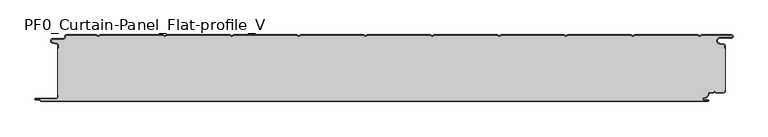
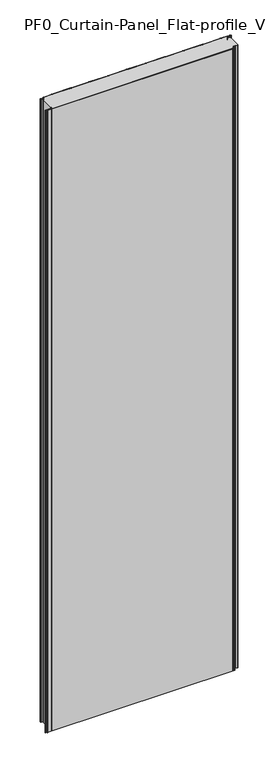
"""IFC4 building model written with IfcOpenShell, lengths in millimetres: plate geometry, PF0_Curtain-Panel_Flat-profile_V."""

import ifcopenshell
import ifcopenshell.guid

model = None  # the IFC model being written
_history = None  # IfcOwnerHistory: only IFC2X3 demands one
_inside = {}  # id of a spatial element -> (the spatial element, [elements in it])
_under = {}  # id of a project, library or spatial element -> (it, [spatial elements below it])
_declared = {}  # id of a project -> (the project, [libraries it declares])
_typed = {}  # id of a type object -> (the type object, [elements of that type])
_made_of = {}  # id of a material, layer set ... -> (it, [elements and type objects made of it])


def new_model(schema):
    """Start an empty IFC model of exactly this schema.

    Asked for "IFC4X3", IfcOpenShell would pick the latest addendum, in which some entities
    have other attributes; the version numbers below select the first issue.
    IFC2X3 requires an IfcOwnerHistory on every rooted entity: one is made here for all.
    """
    global model, _history
    if schema == "IFC4X3":
        model = ifcopenshell.file(schema_version=(4, 3, 0, 0))
    else:
        model = ifcopenshell.file(schema=schema)
    _inside.clear()
    _under.clear()
    _declared.clear()
    _typed.clear()
    _made_of.clear()
    _history = None
    if model.schema == "IFC2X3":
        org = make("IfcOrganization", Name="unknown")
        user = make(
            "IfcPersonAndOrganization",
            ThePerson=make("IfcPerson", FamilyName="unknown"),
            TheOrganization=org,
        )
        app = make(
            "IfcApplication",
            ApplicationDeveloper=org,
            Version="unknown",
            ApplicationFullName="unknown",
            ApplicationIdentifier="unknown",
        )
        _history = make(
            "IfcOwnerHistory",
            OwningUser=user,
            OwningApplication=app,
            ChangeAction="ADDED",
            CreationDate=0,
        )
    return model


def make(cls, **values):
    """One entity of the class cls with the attributes given. An attribute that is None is left unset."""
    return model.create_entity(
        cls, **{name: value for name, value in values.items() if value is not None}
    )


def rooted(cls, **values):
    """An entity with a GlobalId (a new one), such as an element, a storey or a relation."""
    return make(cls, GlobalId=ifcopenshell.guid.new(), OwnerHistory=_history, **values)


def si_unit(unit_type, name, prefix=None):
    """IfcSIUnit, for example si_unit("LENGTHUNIT", "METRE", prefix="MILLI")."""
    return make("IfcSIUnit", UnitType=unit_type, Prefix=prefix, Name=name)


def assignment(units):
    """IfcUnitAssignment: the units of a project."""
    return None if units is None else make("IfcUnitAssignment", Units=units)


def point(xyz):
    """IfcCartesianPoint."""
    return None if xyz is None else make("IfcCartesianPoint", Coordinates=xyz)


def direction(xyz):
    """IfcDirection."""
    return None if xyz is None else make("IfcDirection", DirectionRatios=xyz)


def frame(location, z_axis=None, x_axis=None):
    """IfcAxis2Placement3D, a coordinate frame: its origin and axes. An axis left out is left unset."""
    return make(
        "IfcAxis2Placement3D",
        Location=point(location),
        Axis=direction(z_axis),
        RefDirection=direction(x_axis),
    )


def frame_2d(location, x_axis=None):
    """IfcAxis2Placement2D, a coordinate frame in the plane: its origin and x axis."""
    return make(
        "IfcAxis2Placement2D", Location=point(location), RefDirection=direction(x_axis)
    )


def origin():
    """The frame at (0, 0, 0) with its axes left unset."""
    return frame((0.0, 0.0, 0.0))


def origin_with_axes():
    """The frame at (0, 0, 0) with the z axis (0, 0, 1) and the x axis (1, 0, 0) written out."""
    return frame((0.0, 0.0, 0.0), z_axis=(0.0, 0.0, 1.0), x_axis=(1.0, 0.0, 0.0))


def place(relative_to, where):
    """IfcLocalPlacement: puts the frame where relative to a parent placement (None: the world)."""
    return make(
        "IfcLocalPlacement", PlacementRelTo=relative_to, RelativePlacement=where
    )


def context(
    kind, dimensions, precision=None, world=None, true_north=None, identifier=None
):
    """IfcGeometricRepresentationContext, for example the 3D "Model" context."""
    return make(
        "IfcGeometricRepresentationContext",
        ContextIdentifier=identifier,
        ContextType=kind,
        CoordinateSpaceDimension=dimensions,
        Precision=precision,
        WorldCoordinateSystem=world,
        TrueNorth=true_north,
    )


def project(units=None, contexts=None):
    """IfcProject with its units and contexts."""
    return rooted(
        "IfcProject",
        Name="project",
        RepresentationContexts=contexts,
        UnitsInContext=assignment(units),
    )


def spatial(cls, under=None, at=None, **own):
    """A site, building, storey or space (cls), placed at a placement, below another one or the project."""
    s = rooted(cls, ObjectPlacement=at, **own)
    if under is not None:
        _under.setdefault(under.id(), (under, []))[1].append(s)
    return s


def polyline(points):
    """IfcPolyline through the points."""
    return make("IfcPolyline", Points=[point(p) for p in points])


def circle_curve(where, radius):
    """IfcCircle in the frame where."""
    return make("IfcCircle", Position=where, Radius=radius)


def trimmed(basis, trim1, trim2, sense, master):
    """IfcTrimmedCurve: the piece of a basis curve between two trims."""
    return make(
        "IfcTrimmedCurve",
        BasisCurve=basis,
        Trim1=trim1,
        Trim2=trim2,
        SenseAgreement=sense,
        MasterRepresentation=master,
    )


def segment(curve, same_sense, transition):
    """IfcCompositeCurveSegment."""
    return make(
        "IfcCompositeCurveSegment",
        Transition=transition,
        SameSense=same_sense,
        ParentCurve=curve,
    )


def composite_curve(segments, self_intersect=None):
    """IfcCompositeCurve: segments joined end to end."""
    return make("IfcCompositeCurve", Segments=segments, SelfIntersect=self_intersect)


def outline(outer, holes=None, kind="AREA"):
    """IfcArbitraryClosedProfileDef: a profile drawn as a closed curve; with holes, ...WithVoids."""
    if holes is None:
        return make("IfcArbitraryClosedProfileDef", ProfileType=kind, OuterCurve=outer)
    return make(
        "IfcArbitraryProfileDefWithVoids",
        ProfileType=kind,
        OuterCurve=outer,
        InnerCurves=holes,
    )


def extrude(swept, where, along, depth):
    """IfcExtrudedAreaSolid: the profile swept, set in the frame where, extruded along a direction by depth."""
    return make(
        "IfcExtrudedAreaSolid",
        SweptArea=swept,
        Position=where,
        ExtrudedDirection=direction(along),
        Depth=depth,
    )


def shape(context_of_items, identifier, shape_type, items):
    """IfcShapeRepresentation: the items that make up one representation, for example the "Body"."""
    return make(
        "IfcShapeRepresentation",
        ContextOfItems=context_of_items,
        RepresentationIdentifier=identifier,
        RepresentationType=shape_type,
        Items=items,
    )


def source(mapping_origin, context_of_items, identifier, shape_type, items):
    """IfcRepresentationMap: a shape defined once, which mapped items show again and again."""
    return make(
        "IfcRepresentationMap",
        MappingOrigin=mapping_origin,
        MappedRepresentation=shape(context_of_items, identifier, shape_type, items),
    )


def transform(
    local_origin,
    x_axis=None,
    y_axis=None,
    z_axis=None,
    scale=None,
    scale2=None,
    scale3=None,
    uniform=True,
):
    """IfcCartesianTransformationOperator3D, or its non-uniform kind. x_axis, y_axis, z_axis: its Axis1, 2, 3."""
    if uniform:
        return make(
            "IfcCartesianTransformationOperator3D",
            Axis1=direction(x_axis),
            Axis2=direction(y_axis),
            LocalOrigin=point(local_origin),
            Scale=scale,
            Axis3=direction(z_axis),
        )
    return make(
        "IfcCartesianTransformationOperator3DnonUniform",
        Axis1=direction(x_axis),
        Axis2=direction(y_axis),
        LocalOrigin=point(local_origin),
        Scale=scale,
        Axis3=direction(z_axis),
        Scale2=scale2,
        Scale3=scale3,
    )


def mapped(mapping_source, mapping_target):
    """IfcMappedItem: shows the shape of a source again, moved by a transform."""
    return make(
        "IfcMappedItem", MappingSource=mapping_source, MappingTarget=mapping_target
    )


def made_of(thing, what):
    """Note that an element or type object is made of a material, layer set ...; save() writes the relation."""
    if what is not None:
        _made_of.setdefault(what.id(), (what, []))[1].append(thing)
    return thing


def element(
    cls,
    number,
    at=None,
    inside=None,
    cuts=None,
    type_object=None,
    material=None,
    context=None,
    identifier="Body",
    shape_type=None,
    held_by="IfcProductDefinitionShape",
    body=None,
    shapes=None,
    **own,
):
    """One element of the class cls, such as IfcWall. Its Tag is "e" and its number.

    at: its placement. inside: the storey or other place that contains it. cuts: it is an
    opening in that element (IfcRelVoidsElement). A single representation is given by context,
    identifier, shape_type and body (its items); several are given by shapes. held_by: the class
    of the entity that holds the representations. save() writes the other relations.
    """
    e = rooted(cls, Tag="e%d" % number, ObjectPlacement=at, **own)
    if body is not None:
        shapes = [shape(context, identifier, shape_type, body)]
    if shapes is not None:
        e.Representation = make(held_by, Representations=shapes)
    if inside is not None:
        _inside.setdefault(inside.id(), (inside, []))[1].append(e)
    if cuts is not None:
        rooted(
            "IfcRelVoidsElement", RelatingBuildingElement=cuts, RelatedOpeningElement=e
        )
    if type_object is not None:
        _typed.setdefault(type_object.id(), (type_object, []))[1].append(e)
    return made_of(e, material)


def aggregate(whole, parts):
    """IfcRelAggregates: a whole, such as a stair, and the parts it consists of."""
    return rooted("IfcRelAggregates", RelatingObject=whole, RelatedObjects=parts)


def save(model, path):
    """Write the relations noted so far, then the file.

    IfcRelAggregates (storeys below a building ...), IfcRelContainedInSpatialStructure (elements
    in a storey), IfcRelDefinesByType, IfcRelAssociatesMaterial and IfcRelDeclares: one each for
    every whole, place, type object, material and project.
    """
    for whole, parts in _under.values():
        aggregate(whole, parts)
    for where, things in _inside.values():
        rooted(
            "IfcRelContainedInSpatialStructure",
            RelatedElements=things,
            RelatingStructure=where,
        )
    for kind, things in _typed.values():
        rooted("IfcRelDefinesByType", RelatedObjects=things, RelatingType=kind)
    for what, things in _made_of.values():
        rooted("IfcRelAssociatesMaterial", RelatedObjects=things, RelatingMaterial=what)
    for by, libraries in _declared.values():
        rooted("IfcRelDeclares", RelatingContext=by, RelatedDefinitions=libraries)
    model.write(path)


def plane_surface(at):
    """IfcPlane: the flat surface through the origin of the frame at, square to its z axis."""
    return make("IfcPlane", Position=at)


def cylinder_surface(at, radius):
    """IfcCylindricalSurface: all points at the distance radius from the z axis of the frame at."""
    return make("IfcCylindricalSurface", Position=at, Radius=radius)


def revolved_surface(curve, axis_point, axis_direction):
    """IfcSurfaceOfRevolution: the curve turned about the line through axis_point along axis_direction."""
    return make(
        "IfcSurfaceOfRevolution",
        SweptCurve=make("IfcArbitraryOpenProfileDef", ProfileType="CURVE", Curve=curve),
        AxisPosition=make("IfcAxis1Placement", Location=point(axis_point), Axis=direction(axis_direction)),
    )


def advanced_brep(points, edges, surfaces, faces):
    """IfcAdvancedBrep: a solid bounded by faces that lie on surfaces and meet in shared edges.

    An edge is (start, end): straight between two places in points (the first is 0);
    or (start, end, curve); or (start, end, curve, False) where it runs against its curve.
    A face is (place in surfaces, loops), or (place, loops, False) where it looks against
    its surface's normal. A loop lists edges by number (the first is 1), with a minus sign
    where the edge is run from its end to its start. The first loop is the outer one.
    """
    corners = [point(p) for p in points]
    vertices = [make("IfcVertexPoint", VertexGeometry=c) for c in corners]
    made = []
    for start, end, *more in edges:
        made.append(
            make(
                "IfcEdgeCurve",
                EdgeStart=vertices[start],
                EdgeEnd=vertices[end],
                EdgeGeometry=more[0] if more else make("IfcPolyline", Points=[corners[start], corners[end]]),
                SameSense=more[1] if len(more) > 1 else True,
            )
        )
    hull = []
    for where, loops, *sense in faces:
        bounds = []
        for j, loop in enumerate(loops):
            ring = [make("IfcOrientedEdge", EdgeElement=made[abs(k) - 1], Orientation=k > 0) for k in loop]
            bounds.append(
                make(
                    "IfcFaceOuterBound" if j == 0 else "IfcFaceBound",
                    Bound=make("IfcEdgeLoop", EdgeList=ring),
                    Orientation=True,
                )
            )
        hull.append(make("IfcAdvancedFace", Bounds=bounds, FaceSurface=surfaces[where], SameSense=sense[0] if sense else True))
    return make("IfcAdvancedBrep", Outer=make("IfcClosedShell", CfsFaces=hull))


def pf0_curtain_panel_flat_profile_v_2d667db1(model_context):
    return source(origin(), model_context, "Body", "SolidModel", [
        advanced_brep(
        [(-500.0, -15.878557, 3500.0), (-500.0, -20.0, 3500.0), (-499.2, -20.0, 3500.0), (-499.2, -15.878557, 3500.0), (-501.370137, -13.1503208, 3500.0), (-507.529863, -11.728236, 3500.0), (-506.9, -6.2, 3500.0), (-491.4, -6.2, 3500.0), (-488.6, -3.4, 3500.0), (-488.6, -2.0, 3500.0), (-487.4, -0.8, 3500.0), (-442.3143588, -0.8, 3500.0), (-439.4, -2.482606, 3500.0), (-436.4856412, -0.8, 3500.0), (-342.3143588, -0.8, 3500.0), (-339.4, -2.482606, 3500.0), (-336.4856412, -0.8, 3500.0), (-242.3143588, -0.8, 3500.0), (-239.4, -2.482606, 3500.0), (-236.4856412, -0.8, 3500.0), (-142.3143588, -0.8, 3500.0), (-139.4, -2.482606, 3500.0), (-136.4856412, -0.8, 3500.0), (-42.3143588, -0.8, 3500.0), (-39.4, -2.482606, 3500.0), (-36.4856412, -0.8, 3500.0), (57.6856412, -0.8, 3500.0), (60.6, -2.482606, 3500.0), (63.5143588, -0.8, 3500.0), (157.6856412, -0.8, 3500.0), (160.6, -2.482606, 3500.0), (163.5143588, -0.8, 3500.0), (257.6856412, -0.8, 3500.0), (260.6, -2.482606, 3500.0), (263.5143588, -0.8, 3500.0), (357.6856412, -0.8, 3500.0), (360.6, -2.482606, 3500.0), (363.5143588, -0.8, 3500.0), (457.6856412, -0.8, 3500.0), (460.6, -2.482606, 3500.0), (463.5143588, -0.8, 3500.0), (508.1, -0.8, 3500.0), (508.1, -4.2, 3500.0), (491.1, -4.2, 3500.0), (490.2664884, -13.7270771, 3500.0), (496.7125669, -14.8636953, 3500.0), (498.2, -16.6363492, 3500.0), (498.2, -20.0, 3500.0), (499.0, -20.0, 3500.0), (499.0, -16.6363492, 3500.0), (496.8514855, -14.0758491, 3500.0), (490.405407, -12.939231, 3500.0), (491.1, -5.0, 3500.0), (508.1, -5.0, 3500.0), (510.6, -2.5, 3500.0), (508.1, 0.0, 3500.0), (463.2999995, 0.0, 3500.0), (460.6, -1.5588455, 3500.0), (457.9000005, 0.0, 3500.0), (363.2999995, 0.0, 3500.0), (360.6, -1.5588455, 3500.0), (357.9000005, 0.0, 3500.0), (263.2999995, 0.0, 3500.0), (260.6, -1.5588455, 3500.0), (257.9000005, 0.0, 3500.0), (163.2999995, 0.0, 3500.0), (160.6, -1.5588455, 3500.0), (157.9000005, 0.0, 3500.0), (63.2999995, 0.0, 3500.0), (60.6, -1.5588455, 3500.0), (57.9000005, 0.0, 3500.0), (-36.7000005, 0.0, 3500.0), (-39.4, -1.5588455, 3500.0), (-42.0999995, 0.0, 3500.0), (-136.7000005, 0.0, 3500.0), (-139.4, -1.5588455, 3500.0), (-142.0999995, 0.0, 3500.0), (-236.7000005, 0.0, 3500.0), (-239.4, -1.5588455, 3500.0), (-242.0999995, 0.0, 3500.0), (-336.7000005, 0.0, 3500.0), (-339.4, -1.5588455, 3500.0), (-342.0999995, 0.0, 3500.0), (-436.7000005, 0.0, 3500.0), (-439.4, -1.5588455, 3500.0), (-442.0999995, 0.0, 3500.0), (-487.4, 0.0, 3500.0), (-489.4, -2.0, 3500.0), (-489.4, -3.4, 3500.0), (-491.4, -5.4, 3500.0), (-506.9, -5.4, 3500.0), (-507.7098239, -12.5077322, 3500.0), (-501.5500979, -13.929817, 3500.0), (-500.0, -15.878557, 0.0), (-501.5500978, -13.9298169, 0.0), (-507.7098239, -12.507732, 0.0), (-506.9, -5.4, 0.0), (-491.4, -5.4, 0.0), (-489.4, -3.4, 0.0), (-489.4, -2.0, 0.0), (-487.4, 0.0, 0.0), (-442.0999995, 0.0, 0.0), (-439.4, -1.5588455, 0.0), (-436.7000005, 0.0, 0.0), (-342.0999995, 0.0, 0.0), (-339.4, -1.5588455, 0.0), (-336.7000005, 0.0, 0.0), (-242.0999995, 0.0, 0.0), (-239.4, -1.5588455, 0.0), (-236.7000005, 0.0, 0.0), (-142.0999995, 0.0, 0.0), (-139.4, -1.5588455, 0.0), (-136.7000005, 0.0, 0.0), (-42.0999995, 0.0, 0.0), (-39.4, -1.5588455, 0.0), (-36.7000005, 0.0, 0.0), (57.9000005, 0.0, 0.0), (60.6, -1.5588455, 0.0), (63.2999995, 0.0, 0.0), (157.9000005, 0.0, 0.0), (160.6, -1.5588455, 0.0), (163.2999995, 0.0, 0.0), (257.9000005, 0.0, 0.0), (260.6, -1.5588455, 0.0), (263.2999995, 0.0, 0.0), (357.9000005, 0.0, 0.0), (360.6, -1.5588455, 0.0), (363.2999995, 0.0, 0.0), (457.9000005, 0.0, 0.0), (460.6, -1.5588455, 0.0), (463.2999995, 0.0, 0.0), (508.1, 0.0, 0.0), (510.6, -2.5, 0.0), (508.1, -5.0, 0.0), (491.1, -5.0, 0.0), (490.405407, -12.939231, 0.0), (496.8514855, -14.0758491, 0.0), (499.0, -16.6363492, 0.0), (499.0, -20.0, 0.0), (498.2, -20.0, 0.0), (498.2, -16.6363492, 0.0), (496.7125669, -14.8636953, 0.0), (490.2664884, -13.7270772, 0.0), (491.1, -4.2, 0.0), (508.1, -4.2, 0.0), (508.1, -0.8, 0.0), (463.5143588, -0.8, 0.0), (460.6, -2.482606, 0.0), (457.6856412, -0.8, 0.0), (363.5143588, -0.8, 0.0), (360.6, -2.482606, 0.0), (357.6856412, -0.8, 0.0), (263.5143588, -0.8, 0.0), (260.6, -2.482606, 0.0), (257.6856412, -0.8, 0.0), (163.5143588, -0.8, 0.0), (160.6, -2.482606, 0.0), (157.6856412, -0.8, 0.0), (63.5143588, -0.8, 0.0), (60.6, -2.482606, 0.0), (57.6856412, -0.8, 0.0), (-36.4856412, -0.8, 0.0), (-39.4, -2.482606, 0.0), (-42.3143588, -0.8, 0.0), (-136.4856412, -0.8, 0.0), (-139.4, -2.482606, 0.0), (-142.3143588, -0.8, 0.0), (-236.4856412, -0.8, 0.0), (-239.4, -2.482606, 0.0), (-242.3143588, -0.8, 0.0), (-336.4856412, -0.8, 0.0), (-339.4, -2.482606, 0.0), (-342.3143588, -0.8, 0.0), (-436.4856412, -0.8, 0.0), (-439.4, -2.482606, 0.0), (-442.3143588, -0.8, 0.0), (-487.4, -0.8, 0.0), (-488.6, -2.0, 0.0), (-488.6, -3.4, 0.0), (-491.4, -6.2, 0.0), (-506.9, -6.2, 0.0), (-507.529863, -11.7282362, 0.0), (-501.370137, -13.150321, 0.0), (-499.2, -15.878557, 0.0), (-499.2, -20.0, 0.0), (-500.0, -20.0, 0.0)],
        [
            (0, 1),
            (1, 2),
            (2, 3),
            (3, 4, circle_curve(frame((-502.0, -15.878557, 3500.0), z_axis=(0.0, 0.0, 1.0), x_axis=(1.0, 0.0, 0.0)), 2.8)),
            (4, 5),
            (5, 6, circle_curve(frame((-506.9, -9.0, 3500.0), z_axis=(0.0, 0.0, -1.0), x_axis=(1.0, 0.0, 0.0)), 2.8)),
            (6, 7),
            (7, 8, circle_curve(frame((-491.4, -3.4, 3500.0), z_axis=(0.0, 0.0, 1.0), x_axis=(1.0, 0.0, 0.0)), 2.8)),
            (8, 9),
            (9, 10, circle_curve(frame((-487.4, -2.0, 3500.0), z_axis=(0.0, 0.0, -1.0), x_axis=(1.0, 0.0, 0.0)), 1.2)),
            (10, 11),
            (11, 12),
            (12, 13),
            (13, 14),
            (14, 15),
            (15, 16),
            (16, 17),
            (17, 18),
            (18, 19),
            (19, 20),
            (20, 21),
            (21, 22),
            (22, 23),
            (23, 24),
            (24, 25),
            (25, 26),
            (26, 27),
            (27, 28),
            (28, 29),
            (29, 30),
            (30, 31),
            (31, 32),
            (32, 33),
            (33, 34),
            (34, 35),
            (35, 36),
            (36, 37),
            (37, 38),
            (38, 39),
            (39, 40),
            (40, 41),
            (41, 42, circle_curve(frame((508.1, -2.5, 3500.0), z_axis=(0.0, 0.0, -1.0), x_axis=(1.0, 0.0, 0.0)), 1.7)),
            (42, 43),
            (43, 44, circle_curve(frame((491.1, -9.0, 3500.0), z_axis=(0.0, 0.0, 1.0), x_axis=(1.0, 0.0, 0.0)), 4.8)),
            (44, 45),
            (45, 46, circle_curve(frame((496.4, -16.6363492, 3500.0), z_axis=(0.0, 0.0, -1.0), x_axis=(1.0, 0.0, 0.0)), 1.8)),
            (46, 47),
            (47, 48),
            (48, 49),
            (49, 50, circle_curve(frame((496.4, -16.6363492, 3500.0), z_axis=(0.0, 0.0, 1.0), x_axis=(1.0, 0.0, 0.0)), 2.6)),
            (50, 51),
            (51, 52, circle_curve(frame((491.1, -9.0, 3500.0), z_axis=(0.0, 0.0, -1.0), x_axis=(1.0, 0.0, 0.0)), 4.0)),
            (52, 53),
            (53, 54, circle_curve(frame((508.1, -2.5, 3500.0), z_axis=(0.0, 0.0, 1.0), x_axis=(1.0, 0.0, 0.0)), 2.5)),
            (54, 55, circle_curve(frame((508.1, -2.5, 3500.0), z_axis=(0.0, 0.0, 1.0), x_axis=(1.0, 0.0, 0.0)), 2.5)),
            (55, 56),
            (56, 57),
            (57, 58),
            (58, 59),
            (59, 60),
            (60, 61),
            (61, 62),
            (62, 63),
            (63, 64),
            (64, 65),
            (65, 66),
            (66, 67),
            (67, 68),
            (68, 69),
            (69, 70),
            (70, 71),
            (71, 72),
            (72, 73),
            (73, 74),
            (74, 75),
            (75, 76),
            (76, 77),
            (77, 78),
            (78, 79),
            (79, 80),
            (80, 81),
            (81, 82),
            (82, 83),
            (83, 84),
            (84, 85),
            (85, 86),
            (86, 87, circle_curve(frame((-487.4, -2.0, 3500.0), z_axis=(0.0, 0.0, 1.0), x_axis=(1.0, 0.0, 0.0)), 2.0)),
            (87, 88),
            (88, 89, circle_curve(frame((-491.4, -3.4, 3500.0), z_axis=(0.0, 0.0, -1.0), x_axis=(1.0, 0.0, 0.0)), 2.0)),
            (89, 90),
            (90, 91, circle_curve(frame((-506.9, -9.0, 3500.0), z_axis=(0.0, 0.0, 1.0), x_axis=(1.0, 0.0, 0.0)), 3.6)),
            (91, 92),
            (92, 0, circle_curve(frame((-502.0, -15.878557, 3500.0), z_axis=(0.0, 0.0, -1.0), x_axis=(1.0, 0.0, 0.0)), 2.0)),
            (93, 94, circle_curve(frame((-502.0, -15.878557, 0.0), z_axis=(0.0, 0.0, 1.0), x_axis=(1.0, 0.0, 0.0)), 2.0)),
            (94, 95),
            (95, 96, circle_curve(frame((-506.9, -9.0, 0.0), z_axis=(0.0, 0.0, -1.0), x_axis=(1.0, 0.0, 0.0)), 3.6)),
            (96, 97),
            (97, 98, circle_curve(frame((-491.4, -3.4, 0.0), z_axis=(0.0, 0.0, 1.0), x_axis=(1.0, 0.0, 0.0)), 2.0)),
            (98, 99),
            (99, 100, circle_curve(frame((-487.4, -2.0, 0.0), z_axis=(0.0, 0.0, -1.0), x_axis=(1.0, 0.0, 0.0)), 2.0)),
            (100, 101),
            (101, 102),
            (102, 103),
            (103, 104),
            (104, 105),
            (105, 106),
            (106, 107),
            (107, 108),
            (108, 109),
            (109, 110),
            (110, 111),
            (111, 112),
            (112, 113),
            (113, 114),
            (114, 115),
            (115, 116),
            (116, 117),
            (117, 118),
            (118, 119),
            (119, 120),
            (120, 121),
            (121, 122),
            (122, 123),
            (123, 124),
            (124, 125),
            (125, 126),
            (126, 127),
            (127, 128),
            (128, 129),
            (129, 130),
            (130, 131),
            (131, 132, circle_curve(frame((508.1, -2.5, 0.0), z_axis=(0.0, 0.0, -1.0), x_axis=(1.0, 0.0, 0.0)), 2.5)),
            (132, 133, circle_curve(frame((508.1, -2.5, 0.0), z_axis=(0.0, 0.0, -1.0), x_axis=(1.0, 0.0, 0.0)), 2.5)),
            (133, 134),
            (134, 135, circle_curve(frame((491.1, -9.0, 0.0), z_axis=(0.0, 0.0, 1.0), x_axis=(1.0, 0.0, 0.0)), 4.0)),
            (135, 136),
            (136, 137, circle_curve(frame((496.4, -16.6363492, 0.0), z_axis=(0.0, 0.0, -1.0), x_axis=(1.0, 0.0, 0.0)), 2.6)),
            (137, 138),
            (138, 139),
            (139, 140),
            (140, 141, circle_curve(frame((496.4, -16.6363492, 0.0), z_axis=(0.0, 0.0, 1.0), x_axis=(1.0, 0.0, 0.0)), 1.8)),
            (141, 142),
            (142, 143, circle_curve(frame((491.1, -9.0, 0.0), z_axis=(0.0, 0.0, -1.0), x_axis=(1.0, 0.0, 0.0)), 4.8)),
            (143, 144),
            (144, 145, circle_curve(frame((508.1, -2.5, 0.0), z_axis=(0.0, 0.0, 1.0), x_axis=(1.0, 0.0, 0.0)), 1.7)),
            (145, 146),
            (146, 147),
            (147, 148),
            (148, 149),
            (149, 150),
            (150, 151),
            (151, 152),
            (152, 153),
            (153, 154),
            (154, 155),
            (155, 156),
            (156, 157),
            (157, 158),
            (158, 159),
            (159, 160),
            (160, 161),
            (161, 162),
            (162, 163),
            (163, 164),
            (164, 165),
            (165, 166),
            (166, 167),
            (167, 168),
            (168, 169),
            (169, 170),
            (170, 171),
            (171, 172),
            (172, 173),
            (173, 174),
            (174, 175),
            (175, 176),
            (176, 177, circle_curve(frame((-487.4, -2.0, 0.0), z_axis=(0.0, 0.0, 1.0), x_axis=(1.0, 0.0, 0.0)), 1.2)),
            (177, 178),
            (178, 179, circle_curve(frame((-491.4, -3.4, 0.0), z_axis=(0.0, 0.0, -1.0), x_axis=(1.0, 0.0, 0.0)), 2.8)),
            (179, 180),
            (180, 181, circle_curve(frame((-506.9, -9.0, 0.0), z_axis=(0.0, 0.0, 1.0), x_axis=(1.0, 0.0, 0.0)), 2.8)),
            (181, 182),
            (182, 183, circle_curve(frame((-502.0, -15.878557, 0.0), z_axis=(0.0, 0.0, -1.0), x_axis=(1.0, 0.0, 0.0)), 2.8)),
            (183, 184),
            (184, 185),
            (185, 93),
            (0, 93),
            (185, 1),
            (184, 2),
            (183, 3),
            (182, 4),
            (181, 5),
            (180, 6),
            (179, 7),
            (178, 8),
            (177, 9),
            (176, 10),
            (175, 11),
            (174, 12),
            (173, 13),
            (172, 14),
            (171, 15),
            (170, 16),
            (169, 17),
            (168, 18),
            (167, 19),
            (166, 20),
            (165, 21),
            (164, 22),
            (163, 23),
            (162, 24),
            (161, 25),
            (160, 26),
            (159, 27),
            (158, 28),
            (157, 29),
            (156, 30),
            (155, 31),
            (154, 32),
            (153, 33),
            (152, 34),
            (151, 35),
            (150, 36),
            (149, 37),
            (148, 38),
            (147, 39),
            (146, 40),
            (145, 41),
            (144, 42),
            (143, 43),
            (142, 44),
            (141, 45),
            (140, 46),
            (139, 47),
            (138, 48),
            (137, 49),
            (136, 50),
            (135, 51),
            (134, 52),
            (133, 53),
            (131, 55),
            (56, 130),
            (129, 57),
            (128, 58),
            (127, 59),
            (126, 60),
            (125, 61),
            (124, 62),
            (123, 63),
            (122, 64),
            (121, 65),
            (120, 66),
            (119, 67),
            (118, 68),
            (117, 69),
            (116, 70),
            (115, 71),
            (114, 72),
            (113, 73),
            (112, 74),
            (111, 75),
            (110, 76),
            (109, 77),
            (108, 78),
            (107, 79),
            (106, 80),
            (105, 81),
            (104, 82),
            (103, 83),
            (102, 84),
            (101, 85),
            (100, 86),
            (99, 87),
            (98, 88),
            (97, 89),
            (96, 90),
            (95, 91),
            (94, 92),
        ],
        [
            plane_surface(frame((-500.0, 0.0, 3500.0), z_axis=(0.0, 0.0, 1.0), x_axis=(0.0, 1.0, 0.0))),
            plane_surface(frame((-500.0, 0.0, 0.0), z_axis=(0.0, 0.0, -1.0), x_axis=(0.0, 1.0, 0.0))),
            plane_surface(frame((-500.0, -15.878557, 3500.0), z_axis=(-1.0, 0.0, 0.0), x_axis=(0.0, 0.0, -1.0))),
            plane_surface(frame((-500.0, -20.0, 3500.0), z_axis=(0.0, -1.0, 0.0), x_axis=(0.0, 0.0, -1.0))),
            plane_surface(frame((-499.2, -20.0, 3500.0), z_axis=(1.0, 0.0, 0.0), x_axis=(0.0, 0.0, -1.0))),
            cylinder_surface(frame((-502.0, -15.878557, 3500.0), z_axis=(0.0, 0.0, 1.0), x_axis=(1.0, 0.0, 0.0)), 2.8),
            plane_surface(frame((-501.370137, -13.150321, 3500.0), z_axis=(0.22495108446242484, 0.9743700578318174, 0.0), x_axis=(0.0, 0.0, -1.0))),
            revolved_surface(polyline([(-504.09999999999997, -9.0, 0.0), (-504.09999999999997, -9.0, 3500.0)]), (-506.9, -9.0, 3500.0), (0.0, 0.0, -1.0)),
            plane_surface(frame((-506.9, -6.2, 3500.0), z_axis=(0.0, -1.0, 0.0), x_axis=(0.0, 0.0, -1.0))),
            cylinder_surface(frame((-491.4, -3.4, 3500.0), z_axis=(0.0, 0.0, 1.0), x_axis=(1.0, 0.0, 0.0)), 2.8),
            plane_surface(frame((-488.6, -3.4, 3500.0), z_axis=(1.0, 0.0, 0.0), x_axis=(0.0, 0.0, -1.0))),
            revolved_surface(polyline([(-486.2, -2.0, 0.0), (-486.2, -2.0, 3500.0)]), (-487.4, -2.0, 3500.0), (0.0, 0.0, -1.0)),
            plane_surface(frame((-487.4, -0.8, 3500.0), z_axis=(0.0, -1.0, 0.0), x_axis=(0.0, 0.0, -1.0))),
            plane_surface(frame((-442.3143588, -0.8, 3500.0), z_axis=(-0.5000000299313342, -0.8660253865035741, 0.0), x_axis=(0.0, 0.0, -1.0))),
            plane_surface(frame((-439.4, -2.482606, 3500.0), z_axis=(0.5000000299313233, -0.8660253865035805, 0.0), x_axis=(0.0, 0.0, -1.0))),
            plane_surface(frame((-436.4856412, -0.8, 3500.0), z_axis=(0.0, -1.0, 0.0), x_axis=(0.0, 0.0, -1.0))),
            plane_surface(frame((-342.3143588, -0.8, 3500.0), z_axis=(-0.5000000299313346, -0.8660253865035739, 0.0), x_axis=(0.0, 0.0, -1.0))),
            plane_surface(frame((-339.4, -2.482606, 3500.0), z_axis=(0.5000000299313251, -0.8660253865035794, 0.0), x_axis=(0.0, 0.0, -1.0))),
            plane_surface(frame((-336.4856412, -0.8, 3500.0), z_axis=(0.0, -1.0, 0.0), x_axis=(0.0, 0.0, -1.0))),
            plane_surface(frame((-242.3143588, -0.8, 3500.0), z_axis=(-0.5000000299313346, -0.866025386503574, 0.0), x_axis=(0.0, 0.0, -1.0))),
            plane_surface(frame((-239.4, -2.482606, 3500.0), z_axis=(0.5000000299313251, -0.8660253865035794, 0.0), x_axis=(0.0, 0.0, -1.0))),
            plane_surface(frame((-236.4856412, -0.8, 3500.0), z_axis=(0.0, -1.0, 0.0), x_axis=(0.0, 0.0, -1.0))),
            plane_surface(frame((-142.3143588, -0.8, 3500.0), z_axis=(-0.5000000299313349, -0.8660253865035739, 0.0), x_axis=(0.0, 0.0, -1.0))),
            plane_surface(frame((-139.4, -2.482606, 3500.0), z_axis=(0.5000000299313233, -0.8660253865035805, 0.0), x_axis=(0.0, 0.0, -1.0))),
            plane_surface(frame((-136.4856412, -0.8, 3500.0), z_axis=(0.0, -1.0, 0.0), x_axis=(0.0, 0.0, -1.0))),
            plane_surface(frame((-42.3143588, -0.8, 3500.0), z_axis=(-0.5000000299313346, -0.866025386503574, 0.0), x_axis=(0.0, 0.0, -1.0))),
            plane_surface(frame((-39.4, -2.482606, 3500.0), z_axis=(0.5000000299313239, -0.8660253865035802, 0.0), x_axis=(0.0, 0.0, -1.0))),
            plane_surface(frame((-36.4856412, -0.8, 3500.0), z_axis=(0.0, -1.0, 0.0), x_axis=(0.0, 0.0, -1.0))),
            plane_surface(frame((57.6856412, -0.8, 3500.0), z_axis=(-0.5000000299313347, -0.8660253865035739, 0.0), x_axis=(0.0, 0.0, -1.0))),
            plane_surface(frame((60.6, -2.482606, 3500.0), z_axis=(0.5000000299313232, -0.8660253865035805, 0.0), x_axis=(0.0, 0.0, -1.0))),
            plane_surface(frame((63.5143588, -0.8, 3500.0), z_axis=(0.0, -1.0, 0.0), x_axis=(0.0, 0.0, -1.0))),
            plane_surface(frame((157.6856412, -0.8, 3500.0), z_axis=(-0.5000000299313346, -0.866025386503574, 0.0), x_axis=(0.0, 0.0, -1.0))),
            plane_surface(frame((160.6, -2.482606, 3500.0), z_axis=(0.5000000299313262, -0.8660253865035787, 0.0), x_axis=(0.0, 0.0, -1.0))),
            plane_surface(frame((163.5143588, -0.8, 3500.0), z_axis=(0.0, -1.0, 0.0), x_axis=(0.0, 0.0, -1.0))),
            plane_surface(frame((257.6856412, -0.8, 3500.0), z_axis=(-0.5000000299313346, -0.8660253865035739, 0.0), x_axis=(0.0, 0.0, -1.0))),
            plane_surface(frame((260.6, -2.482606, 3500.0), z_axis=(0.5000000299313263, -0.8660253865035787, 0.0), x_axis=(0.0, 0.0, -1.0))),
            plane_surface(frame((263.5143588, -0.8, 3500.0), z_axis=(0.0, -1.0, 0.0), x_axis=(0.0, 0.0, -1.0))),
            plane_surface(frame((357.6856412, -0.8, 3500.0), z_axis=(-0.5000000299313346, -0.8660253865035739, 0.0), x_axis=(0.0, 0.0, -1.0))),
            plane_surface(frame((360.6, -2.482606, 3500.0), z_axis=(0.5000000299313255, -0.8660253865035792, 0.0), x_axis=(0.0, 0.0, -1.0))),
            plane_surface(frame((363.5143588, -0.8, 3500.0), z_axis=(0.0, -1.0, 0.0), x_axis=(0.0, 0.0, -1.0))),
            plane_surface(frame((457.6856412, -0.8, 3500.0), z_axis=(-0.5000000299313347, -0.8660253865035739, 0.0), x_axis=(0.0, 0.0, -1.0))),
            plane_surface(frame((460.6, -2.482606, 3500.0), z_axis=(0.5000000299313263, -0.8660253865035787, 0.0), x_axis=(0.0, 0.0, -1.0))),
            plane_surface(frame((463.5143588, -0.8, 3500.0), z_axis=(0.0, -1.0, 0.0), x_axis=(0.0, 0.0, -1.0))),
            revolved_surface(polyline([(509.8, -2.5, 0.0), (509.8, -2.5, 3500.0)]), (508.1, -2.5, 3500.0), (0.0, 0.0, -1.0)),
            plane_surface(frame((508.1, -4.2, 3500.0), z_axis=(0.0, 1.0, 0.0), x_axis=(0.0, 0.0, -1.0))),
            cylinder_surface(frame((491.1, -9.0, 3500.0), z_axis=(0.0, 0.0, 1.0), x_axis=(1.0, 0.0, 0.0)), 4.8),
            plane_surface(frame((490.2664884, -13.7270772, 3500.0), z_axis=(-0.17364825602592485, -0.9848077391954, 0.0), x_axis=(0.0, 0.0, -1.0))),
            revolved_surface(polyline([(498.2, -16.6363492, 0.0), (498.2, -16.6363492, 3500.0)]), (496.4, -16.6363492, 3500.0), (0.0, 0.0, -1.0)),
            plane_surface(frame((498.2, -16.6363492, 3500.0), z_axis=(-1.0, 0.0, 0.0), x_axis=(0.0, 0.0, -1.0))),
            plane_surface(frame((498.2, -20.0, 3500.0), z_axis=(0.0, -1.0, 0.0), x_axis=(0.0, 0.0, -1.0))),
            plane_surface(frame((499.0, -20.0, 3500.0), z_axis=(1.0, 0.0, 0.0), x_axis=(0.0, 0.0, -1.0))),
            cylinder_surface(frame((496.4, -16.6363492, 3500.0), z_axis=(0.0, 0.0, 1.0), x_axis=(1.0, 0.0, 0.0)), 2.6),
            plane_surface(frame((496.8514855, -14.0758491, 3500.0), z_axis=(0.1736482560259256, 0.9848077391953998, 0.0), x_axis=(0.0, 0.0, -1.0))),
            revolved_surface(polyline([(495.1, -9.0, 0.0), (495.1, -9.0, 3500.0)]), (491.1, -9.0, 3500.0), (0.0, 0.0, -1.0)),
            plane_surface(frame((491.1, -5.0, 3500.0), z_axis=(0.0, -1.0, 0.0), x_axis=(0.0, 0.0, -1.0))),
            cylinder_surface(frame((508.1, -2.5, 3500.0), z_axis=(0.0, 0.0, 1.0), x_axis=(1.0, 0.0, 0.0)), 2.5),
            plane_surface(frame((463.2999995, 0.0, 3500.0), z_axis=(-0.5000000299313235, 0.8660253865035803, 0.0), x_axis=(0.0, 0.0, -1.0))),
            plane_surface(frame((460.6, -1.5588455, 3500.0), z_axis=(0.5000000299313346, 0.8660253865035739, 0.0), x_axis=(0.0, 0.0, -1.0))),
            plane_surface(frame((457.9000005, 0.0, 3500.0), z_axis=(0.0, 1.0, 0.0), x_axis=(0.0, 0.0, -1.0))),
            plane_surface(frame((363.2999995, 0.0, 3500.0), z_axis=(-0.5000000299313235, 0.8660253865035803, 0.0), x_axis=(0.0, 0.0, -1.0))),
            plane_surface(frame((360.6, -1.5588455, 3500.0), z_axis=(0.5000000299313346, 0.8660253865035739, 0.0), x_axis=(0.0, 0.0, -1.0))),
            plane_surface(frame((357.9000005, 0.0, 3500.0), z_axis=(0.0, 1.0, 0.0), x_axis=(0.0, 0.0, -1.0))),
            plane_surface(frame((263.2999995, 0.0, 3500.0), z_axis=(-0.5000000299313235, 0.8660253865035803, 0.0), x_axis=(0.0, 0.0, -1.0))),
            plane_surface(frame((260.6, -1.5588455, 3500.0), z_axis=(0.5000000299313346, 0.8660253865035739, 0.0), x_axis=(0.0, 0.0, -1.0))),
            plane_surface(frame((257.9000005, 0.0, 3500.0), z_axis=(0.0, 1.0, 0.0), x_axis=(0.0, 0.0, -1.0))),
            plane_surface(frame((163.2999995, 0.0, 3500.0), z_axis=(-0.5000000299313235, 0.8660253865035803, 0.0), x_axis=(0.0, 0.0, -1.0))),
            plane_surface(frame((160.6, -1.5588455, 3500.0), z_axis=(0.5000000299313346, 0.8660253865035739, 0.0), x_axis=(0.0, 0.0, -1.0))),
            plane_surface(frame((157.9000005, 0.0, 3500.0), z_axis=(0.0, 1.0, 0.0), x_axis=(0.0, 0.0, -1.0))),
            plane_surface(frame((63.2999995, 0.0, 3500.0), z_axis=(-0.5000000299313235, 0.8660253865035803, 0.0), x_axis=(0.0, 0.0, -1.0))),
            plane_surface(frame((60.6, -1.5588455, 3500.0), z_axis=(0.5000000299313346, 0.8660253865035739, 0.0), x_axis=(0.0, 0.0, -1.0))),
            plane_surface(frame((57.9000005, 0.0, 3500.0), z_axis=(0.0, 1.0, 0.0), x_axis=(0.0, 0.0, -1.0))),
            plane_surface(frame((-36.7000005, 0.0, 3500.0), z_axis=(-0.5000000299313235, 0.8660253865035803, 0.0), x_axis=(0.0, 0.0, -1.0))),
            plane_surface(frame((-39.4, -1.5588455, 3500.0), z_axis=(0.5000000299313346, 0.8660253865035739, 0.0), x_axis=(0.0, 0.0, -1.0))),
            plane_surface(frame((-42.0999995, 0.0, 3500.0), z_axis=(0.0, 1.0, 0.0), x_axis=(0.0, 0.0, -1.0))),
            plane_surface(frame((-136.7000005, 0.0, 3500.0), z_axis=(-0.5000000299313235, 0.8660253865035803, 0.0), x_axis=(0.0, 0.0, -1.0))),
            plane_surface(frame((-139.4, -1.5588455, 3500.0), z_axis=(0.5000000299313346, 0.8660253865035739, 0.0), x_axis=(0.0, 0.0, -1.0))),
            plane_surface(frame((-142.0999995, 0.0, 3500.0), z_axis=(0.0, 1.0, 0.0), x_axis=(0.0, 0.0, -1.0))),
            plane_surface(frame((-236.7000005, 0.0, 3500.0), z_axis=(-0.5000000299313235, 0.8660253865035803, 0.0), x_axis=(0.0, 0.0, -1.0))),
            plane_surface(frame((-239.4, -1.5588455, 3500.0), z_axis=(0.5000000299313346, 0.8660253865035739, 0.0), x_axis=(0.0, 0.0, -1.0))),
            plane_surface(frame((-242.0999995, 0.0, 3500.0), z_axis=(0.0, 1.0, 0.0), x_axis=(0.0, 0.0, -1.0))),
            plane_surface(frame((-336.7000005, 0.0, 3500.0), z_axis=(-0.5000000299313235, 0.8660253865035803, 0.0), x_axis=(0.0, 0.0, -1.0))),
            plane_surface(frame((-339.4, -1.5588455, 3500.0), z_axis=(0.5000000299313346, 0.8660253865035739, 0.0), x_axis=(0.0, 0.0, -1.0))),
            plane_surface(frame((-342.0999995, 0.0, 3500.0), z_axis=(0.0, 1.0, 0.0), x_axis=(0.0, 0.0, -1.0))),
            plane_surface(frame((-436.7000005, 0.0, 3500.0), z_axis=(-0.5000000299313235, 0.8660253865035803, 0.0), x_axis=(0.0, 0.0, -1.0))),
            plane_surface(frame((-439.4, -1.5588455, 3500.0), z_axis=(0.5000000299313346, 0.8660253865035739, 0.0), x_axis=(0.0, 0.0, -1.0))),
            plane_surface(frame((-442.0999995, 0.0, 3500.0), z_axis=(0.0, 1.0, 0.0), x_axis=(0.0, 0.0, -1.0))),
            cylinder_surface(frame((-487.4, -2.0, 3500.0), z_axis=(0.0, 0.0, 1.0), x_axis=(1.0, 0.0, 0.0)), 2.0),
            plane_surface(frame((-489.4, -2.0, 3500.0), z_axis=(-1.0, 0.0, 0.0), x_axis=(0.0, 0.0, -1.0))),
            revolved_surface(polyline([(-489.4, -3.4, 0.0), (-489.4, -3.4, 3500.0)]), (-491.4, -3.4, 3500.0), (0.0, 0.0, -1.0)),
            plane_surface(frame((-491.4, -5.4, 3500.0), z_axis=(0.0, 1.0, 0.0), x_axis=(0.0, 0.0, -1.0))),
            cylinder_surface(frame((-506.9, -9.0, 3500.0), z_axis=(0.0, 0.0, 1.0), x_axis=(1.0, 0.0, 0.0)), 3.6),
            plane_surface(frame((-507.7098239, -12.507732, 3500.0), z_axis=(-0.22495108446242487, -0.9743700578318174, 0.0), x_axis=(0.0, 0.0, -1.0))),
            revolved_surface(polyline([(-500.0, -15.878557, 0.0), (-500.0, -15.878557, 3500.0)]), (-502.0, -15.878557, 3500.0), (0.0, 0.0, -1.0)),
            plane_surface(frame((508.1, 0.0, 3500.0), z_axis=(0.0, 1.0, 0.0), x_axis=(0.0, 0.0, -1.0))),
        ],
        [
            (0, [[1, 2, 3, 4, 5, 6, 7, 8, 9, 10, 11, 12, 13, 14, 15, 16, 17, 18, 19, 20, 21, 22, 23, 24, 25, 26, 27, 28, 29, 30, 31, 32, 33, 34, 35, 36, 37, 38, 39, 40, 41, 42, 43, 44, 45, 46, 47, 48, 49, 50, 51, 52, 53, 54, 55, 56, 57, 58, 59, 60, 61, 62, 63, 64, 65, 66, 67, 68, 69, 70, 71, 72, 73, 74, 75, 76, 77, 78, 79, 80, 81, 82, 83, 84, 85, 86, 87, 88, 89, 90, 91, 92, 93]]),
            (1, [[94, 95, 96, 97, 98, 99, 100, 101, 102, 103, 104, 105, 106, 107, 108, 109, 110, 111, 112, 113, 114, 115, 116, 117, 118, 119, 120, 121, 122, 123, 124, 125, 126, 127, 128, 129, 130, 131, 132, 133, 134, 135, 136, 137, 138, 139, 140, 141, 142, 143, 144, 145, 146, 147, 148, 149, 150, 151, 152, 153, 154, 155, 156, 157, 158, 159, 160, 161, 162, 163, 164, 165, 166, 167, 168, 169, 170, 171, 172, 173, 174, 175, 176, 177, 178, 179, 180, 181, 182, 183, 184, 185, 186]]),
            (2, [[-1, 187, -186, 188]]),
            (3, [[-2, -188, -185, 189]]),
            (4, [[-3, -189, -184, 190]]),
            (5, [[-4, -190, -183, 191]]),
            (6, [[-5, -191, -182, 192]]),
            (7, [[-6, -192, -181, 193]]),
            (8, [[-7, -193, -180, 194]]),
            (9, [[-8, -194, -179, 195]]),
            (10, [[-9, -195, -178, 196]]),
            (11, [[-10, -196, -177, 197]]),
            (12, [[-11, -197, -176, 198]]),
            (13, [[-12, -198, -175, 199]]),
            (14, [[-13, -199, -174, 200]]),
            (15, [[-14, -200, -173, 201]]),
            (16, [[-15, -201, -172, 202]]),
            (17, [[-16, -202, -171, 203]]),
            (18, [[-17, -203, -170, 204]]),
            (19, [[-18, -204, -169, 205]]),
            (20, [[-19, -205, -168, 206]]),
            (21, [[-20, -206, -167, 207]]),
            (22, [[-21, -207, -166, 208]]),
            (23, [[-22, -208, -165, 209]]),
            (24, [[-23, -209, -164, 210]]),
            (25, [[-24, -210, -163, 211]]),
            (26, [[-25, -211, -162, 212]]),
            (27, [[-26, -212, -161, 213]]),
            (28, [[-27, -213, -160, 214]]),
            (29, [[-28, -214, -159, 215]]),
            (30, [[-29, -215, -158, 216]]),
            (31, [[-30, -216, -157, 217]]),
            (32, [[-31, -217, -156, 218]]),
            (33, [[-32, -218, -155, 219]]),
            (34, [[-33, -219, -154, 220]]),
            (35, [[-34, -220, -153, 221]]),
            (36, [[-35, -221, -152, 222]]),
            (37, [[-36, -222, -151, 223]]),
            (38, [[-37, -223, -150, 224]]),
            (39, [[-38, -224, -149, 225]]),
            (40, [[-39, -225, -148, 226]]),
            (41, [[-40, -226, -147, 227]]),
            (42, [[-41, -227, -146, 228]]),
            (43, [[-42, -228, -145, 229]]),
            (44, [[-43, -229, -144, 230]]),
            (45, [[-44, -230, -143, 231]]),
            (46, [[-45, -231, -142, 232]]),
            (47, [[-46, -232, -141, 233]]),
            (48, [[-47, -233, -140, 234]]),
            (49, [[-48, -234, -139, 235]]),
            (50, [[-49, -235, -138, 236]]),
            (51, [[-50, -236, -137, 237]]),
            (52, [[-51, -237, -136, 238]]),
            (53, [[-52, -238, -135, 239]]),
            (54, [[-53, -239, -134, 240]]),
            (55, [[-240, -133, -132, 241, -55, -54]]),
            (56, [[-57, 242, -130, 243]]),
            (57, [[-58, -243, -129, 244]]),
            (58, [[-59, -244, -128, 245]]),
            (59, [[-60, -245, -127, 246]]),
            (60, [[-61, -246, -126, 247]]),
            (61, [[-62, -247, -125, 248]]),
            (62, [[-63, -248, -124, 249]]),
            (63, [[-64, -249, -123, 250]]),
            (64, [[-65, -250, -122, 251]]),
            (65, [[-66, -251, -121, 252]]),
            (66, [[-67, -252, -120, 253]]),
            (67, [[-68, -253, -119, 254]]),
            (68, [[-69, -254, -118, 255]]),
            (69, [[-70, -255, -117, 256]]),
            (70, [[-71, -256, -116, 257]]),
            (71, [[-72, -257, -115, 258]]),
            (72, [[-73, -258, -114, 259]]),
            (73, [[-74, -259, -113, 260]]),
            (74, [[-75, -260, -112, 261]]),
            (75, [[-76, -261, -111, 262]]),
            (76, [[-77, -262, -110, 263]]),
            (77, [[-78, -263, -109, 264]]),
            (78, [[-79, -264, -108, 265]]),
            (79, [[-80, -265, -107, 266]]),
            (80, [[-81, -266, -106, 267]]),
            (81, [[-82, -267, -105, 268]]),
            (82, [[-83, -268, -104, 269]]),
            (83, [[-84, -269, -103, 270]]),
            (84, [[-85, -270, -102, 271]]),
            (85, [[-86, -271, -101, 272]]),
            (86, [[-87, -272, -100, 273]]),
            (87, [[-88, -273, -99, 274]]),
            (88, [[-89, -274, -98, 275]]),
            (89, [[-90, -275, -97, 276]]),
            (90, [[-91, -276, -96, 277]]),
            (91, [[-92, -277, -95, 278]]),
            (92, [[-93, -278, -94, -187]]),
            (93, [[-56, -241, -131, -242]]),
        ],
    ),
        extrude(outline(composite_curve([segment(polyline([(-499.2, -90.0), (-500.0, -90.0), (-500.0, -20.0), (-499.2, -20.0), (-499.2, -15.878557)]), True, "CONTINUOUS"), segment(trimmed(circle_curve(frame_2d((-502.0, -15.878557)), 2.8), [point((-499.2, -15.878557))], [point((-501.370137, -13.1503208))], True, "CARTESIAN"), True, "CONTINUOUS"), segment(polyline([(-501.370137, -13.1503208), (-507.529863, -11.7282362)]), True, "CONTINUOUS"), segment(trimmed(circle_curve(frame_2d((-506.9, -9.0)), 2.8), [point((-507.529863, -11.7282362))], [point((-506.9, -6.2))], False, "CARTESIAN"), True, "CONTINUOUS"), segment(polyline([(-506.9, -6.2), (-491.4, -6.2)]), True, "CONTINUOUS"), segment(trimmed(circle_curve(frame_2d((-491.4, -3.4)), 2.8), [point((-491.4, -6.2))], [point((-488.6, -3.4))], True, "CARTESIAN"), True, "CONTINUOUS"), segment(polyline([(-488.6, -3.4), (-488.6, -2.0)]), True, "CONTINUOUS"), segment(trimmed(circle_curve(frame_2d((-487.4, -2.0)), 1.2), [point((-488.6, -2.0))], [point((-487.4, -0.8))], False, "CARTESIAN"), True, "CONTINUOUS"), segment(polyline([(-487.4, -0.8), (-442.3143588, -0.8), (-439.4, -2.482606), (-436.4856412, -0.8), (-342.3143588, -0.8), (-339.4, -2.482606), (-336.4856412, -0.8), (-242.3143588, -0.8), (-239.4, -2.482606), (-236.4856412, -0.8), (-142.3143588, -0.8), (-139.4, -2.482606), (-136.4856412, -0.8), (-42.3143588, -0.8), (-39.4, -2.482606), (-36.4856412, -0.8), (57.6856412, -0.8), (60.6, -2.482606), (63.5143588, -0.8), (157.6856412, -0.8), (160.6, -2.482606), (163.5143588, -0.8), (257.6856412, -0.8), (260.6, -2.482606), (263.5143588, -0.8), (357.6856412, -0.8), (360.6, -2.482606), (363.5143588, -0.8), (457.6856412, -0.8), (460.6, -2.482606), (463.5143588, -0.8), (508.1, -0.8)]), True, "CONTINUOUS"), segment(trimmed(circle_curve(frame_2d((508.1, -2.5)), 1.7), [point((508.1, -0.8))], [point((508.1, -4.2))], False, "CARTESIAN"), True, "CONTINUOUS"), segment(polyline([(508.1, -4.2), (491.1, -4.2)]), True, "CONTINUOUS"), segment(trimmed(circle_curve(frame_2d((491.1, -9.0)), 4.8), [point((491.1, -4.2))], [point((490.2664884, -13.7270772))], True, "CARTESIAN"), True, "CONTINUOUS"), segment(polyline([(490.2664884, -13.7270772), (496.7125669, -14.8636953)]), True, "CONTINUOUS"), segment(trimmed(circle_curve(frame_2d((496.4, -16.6363492)), 1.8), [point((496.7125669, -14.8636953))], [point((498.2, -16.6363492))], False, "CARTESIAN"), True, "CONTINUOUS"), segment(polyline([(498.2, -16.6363492), (498.2, -20.0), (499.0, -20.0), (499.0, -83.0), (498.2, -83.0), (498.2, -84.4)]), True, "CONTINUOUS"), segment(trimmed(circle_curve(frame_2d((496.4, -84.4)), 1.8), [point((498.2, -84.4))], [point((496.4, -86.2))], False, "CARTESIAN"), True, "CONTINUOUS"), segment(polyline([(496.4, -86.2), (484.8313698, -86.2), (483.0, -84.3686285), (481.1686302, -86.2), (475.0, -86.2)]), True, "CONTINUOUS"), segment(trimmed(circle_curve(frame_2d((475.0, -88.0)), 1.8), [point((475.0, -86.2))], [point((473.2, -88.0))], True, "CARTESIAN"), True, "CONTINUOUS"), segment(polyline([(473.2, -88.0), (473.2, -88.8276204)]), True, "CONTINUOUS"), segment(trimmed(circle_curve(frame_2d((467.8276204, -88.8276204)), 5.3723796), [point((473.2, -88.8276204))], [point((467.8276204, -94.2))], False, "CARTESIAN"), True, "CONTINUOUS"), segment(polyline([(467.8276204, -94.2), (467.0, -94.2)]), True, "CONTINUOUS"), segment(trimmed(circle_curve(frame_2d((467.0, -96.4)), 2.2), [point((467.0, -94.2))], [point((467.0, -98.6))], True, "CARTESIAN"), True, "CONTINUOUS"), segment(polyline([(467.0, -98.6), (472.8891513, -98.6)]), True, "CONTINUOUS"), segment(trimmed(circle_curve(frame_2d((472.8891513, -98.9)), 0.3), [point((472.8891513, -98.6))], [point((472.8891513, -99.2))], False, "CARTESIAN"), True, "CONTINUOUS"), segment(polyline([(472.8891513, -99.2), (-524.4, -99.2)]), True, "CONTINUOUS"), segment(trimmed(circle_curve(frame_2d((-524.4, -98.4)), 0.8), [point((-524.4, -99.2))], [point((-525.2, -98.4))], False, "CARTESIAN"), True, "CONTINUOUS"), segment(trimmed(circle_curve(frame_2d((-526.9, -98.6133333)), 1.7133333), [point((-525.2, -98.4))], [point((-526.9, -96.9))], True, "CARTESIAN"), True, "CONTINUOUS"), segment(polyline([(-526.9, -96.9), (-532.8700312, -96.9)]), True, "CONTINUOUS"), segment(trimmed(circle_curve(frame_2d((-532.8700312, -96.6)), 0.3), [point((-532.8700312, -96.9))], [point((-532.8700312, -96.3))], False, "CARTESIAN"), True, "CONTINUOUS"), segment(polyline([(-532.8700312, -96.3), (-502.0, -96.3)]), True, "CONTINUOUS"), segment(trimmed(circle_curve(frame_2d((-502.0, -93.5)), 2.8), [point((-502.0, -96.3))], [point((-499.2, -93.5))], True, "CARTESIAN"), True, "CONTINUOUS"), segment(polyline([(-499.2, -93.5), (-499.2, -90.0)]), True, "CONTINUOUS")], self_intersect=False)), origin_with_axes(), (0.0, 0.0, 1.0), 3500.0),
        extrude(outline(composite_curve([segment(polyline([(-500.0, -90.0), (-499.2, -90.0), (-499.2, -93.5)]), True, "CONTINUOUS"), segment(trimmed(circle_curve(frame_2d((-502.0, -93.5)), 2.8), [point((-499.2, -93.5))], [point((-502.0, -96.3))], False, "CARTESIAN"), True, "CONTINUOUS"), segment(polyline([(-502.0, -96.3), (-532.8700312, -96.3)]), True, "CONTINUOUS"), segment(trimmed(circle_curve(frame_2d((-532.8700312, -96.6)), 0.3), [point((-532.8700312, -96.3))], [point((-532.8700312, -96.9))], True, "CARTESIAN"), True, "CONTINUOUS"), segment(polyline([(-532.8700312, -96.9), (-526.9, -96.9)]), True, "CONTINUOUS"), segment(trimmed(circle_curve(frame_2d((-526.9, -98.6133333)), 1.7133333), [point((-526.9, -96.9))], [point((-525.2, -98.4))], False, "CARTESIAN"), True, "CONTINUOUS"), segment(trimmed(circle_curve(frame_2d((-524.4, -98.4)), 0.8), [point((-525.2, -98.4))], [point((-524.4, -99.2))], True, "CARTESIAN"), True, "CONTINUOUS"), segment(polyline([(-524.4, -99.2), (472.8891513, -99.2)]), True, "CONTINUOUS"), segment(trimmed(circle_curve(frame_2d((472.8891513, -98.9)), 0.3), [point((472.8891513, -99.2))], [point((472.8891513, -98.6))], True, "CARTESIAN"), True, "CONTINUOUS"), segment(polyline([(472.8891513, -98.6), (467.0, -98.6)]), True, "CONTINUOUS"), segment(trimmed(circle_curve(frame_2d((467.0, -96.4)), 2.2), [point((467.0, -98.6))], [point((467.0, -94.2))], False, "CARTESIAN"), True, "CONTINUOUS"), segment(polyline([(467.0, -94.2), (467.8276204, -94.2)]), True, "CONTINUOUS"), segment(trimmed(circle_curve(frame_2d((467.8276204, -88.8276204)), 5.3723796), [point((467.8276204, -94.2))], [point((473.2, -88.8276204))], True, "CARTESIAN"), True, "CONTINUOUS"), segment(polyline([(473.2, -88.8276204), (473.2, -88.0)]), True, "CONTINUOUS"), segment(trimmed(circle_curve(frame_2d((475.0, -88.0)), 1.8), [point((473.2, -88.0))], [point((475.0, -86.2))], False, "CARTESIAN"), True, "CONTINUOUS"), segment(polyline([(475.0, -86.2), (481.1686302, -86.2), (483.0, -84.3686285), (484.8313698, -86.2), (496.4, -86.2)]), True, "CONTINUOUS"), segment(trimmed(circle_curve(frame_2d((496.4, -84.4)), 1.8), [point((496.4, -86.2))], [point((498.2, -84.4))], True, "CARTESIAN"), True, "CONTINUOUS"), segment(polyline([(498.2, -84.4), (498.2, -83.0), (499.0, -83.0), (499.0, -84.4)]), True, "CONTINUOUS"), segment(trimmed(circle_curve(frame_2d((496.4, -84.4)), 2.6), [point((499.0, -84.4))], [point((496.4, -87.0))], False, "CARTESIAN"), True, "CONTINUOUS"), segment(polyline([(496.4, -87.0), (484.4999988, -87.0), (483.0, -85.4999999), (481.5000012, -87.0), (475.0, -87.0)]), True, "CONTINUOUS"), segment(trimmed(circle_curve(frame_2d((475.0, -88.0)), 1.0), [point((475.0, -87.0))], [point((474.0, -88.0))], True, "CARTESIAN"), True, "CONTINUOUS"), segment(polyline([(474.0, -88.0), (474.0, -88.8276204)]), True, "CONTINUOUS"), segment(trimmed(circle_curve(frame_2d((467.8276204, -88.8276204)), 6.1723796), [point((474.0, -88.8276204))], [point((467.8276204, -95.0))], False, "CARTESIAN"), True, "CONTINUOUS"), segment(polyline([(467.8276204, -95.0), (467.0, -95.0)]), True, "CONTINUOUS"), segment(trimmed(circle_curve(frame_2d((467.0, -96.5)), 1.5), [point((467.0, -95.0))], [point((467.0, -98.0))], True, "CARTESIAN"), True, "CONTINUOUS"), segment(polyline([(467.0, -98.0), (473.0, -98.0)]), True, "CONTINUOUS"), segment(trimmed(circle_curve(frame_2d((473.0, -99.0)), 1.0), [point((473.0, -98.0))], [point((473.0, -100.0))], False, "CARTESIAN"), True, "CONTINUOUS"), segment(polyline([(473.0, -100.0), (-524.4, -100.0)]), True, "CONTINUOUS"), segment(trimmed(circle_curve(frame_2d((-524.4, -98.4)), 1.6), [point((-524.4, -100.0))], [point((-526.0, -98.4))], False, "CARTESIAN"), True, "CONTINUOUS"), segment(trimmed(circle_curve(frame_2d((-526.9, -98.4)), 0.9), [point((-526.0, -98.4))], [point((-526.9, -97.5))], True, "CARTESIAN"), True, "CONTINUOUS"), segment(polyline([(-526.9, -97.5), (-533.0, -97.5)]), True, "CONTINUOUS"), segment(trimmed(circle_curve(frame_2d((-533.0, -96.5)), 1.0), [point((-533.0, -97.5))], [point((-533.0, -95.5))], False, "CARTESIAN"), True, "CONTINUOUS"), segment(polyline([(-533.0, -95.5), (-502.0, -95.5)]), True, "CONTINUOUS"), segment(trimmed(circle_curve(frame_2d((-502.0, -93.5)), 2.0), [point((-502.0, -95.5))], [point((-500.0, -93.5))], True, "CARTESIAN"), True, "CONTINUOUS"), segment(polyline([(-500.0, -93.5), (-500.0, -90.0)]), True, "CONTINUOUS")], self_intersect=False)), origin_with_axes(), (0.0, 0.0, 1.0), 3500.0),
    ])


if __name__ == "__main__":
    model = new_model("IFC4")
    model_context = context("Model", 3, world=origin())
    ifc_project = project(units=[si_unit("LENGTHUNIT", "METRE", prefix="MILLI")], contexts=[model_context])
    site = spatial("IfcSite", under=ifc_project)
    building = spatial("IfcBuilding", under=site)
    placement = place(None, origin())
    pf0_curtain_panel_flat_profile_v_shape = pf0_curtain_panel_flat_profile_v_2d667db1(model_context)
    element("IfcPlate", 1, ObjectType="PF0_Curtain-Panel_Flat-profile_V", at=placement, inside=building, context=model_context, shape_type="MappedRepresentation", body=[
        mapped(pf0_curtain_panel_flat_profile_v_shape, transform((0.0, 0.0, 0.0), x_axis=(1.0, 0.0, 0.0), y_axis=(0.0, 1.0, 0.0), z_axis=(0.0, 0.0, 1.0))),
    ])
    save(model, "model.ifc")
